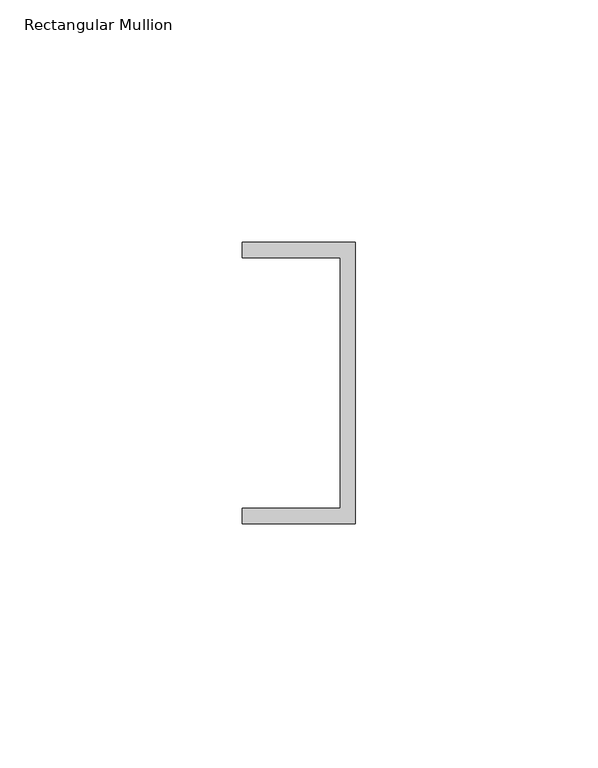
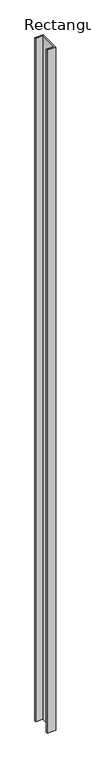
"""IFC4 building model written with IfcOpenShell, lengths in millimetres: member geometry, Rectangular Mullion."""

from ifc_helpers import new_model, si_unit, frame, origin, place, context, project, spatial, polyline, outline, extrude, source, transform, mapped, element, save


def rectangular_mullion_3d77bba8(model_context):
    return source(origin(), model_context, "Body", "SweptSolid", [
        extrude(outline(polyline([(0.0, 29.0214844), (0.0, -29.0214844), (-23.3164063, -29.0214844), (-23.3164063, -25.8464844), (-3.175, -25.8464844), (-3.175, 25.8464844), (-23.3164063, 25.8464844), (-23.3164063, 29.0214844), (0.0, 29.0214844)])), frame((0.0, 0.0, -1978.6203125), z_axis=(0.0, 0.0, 1.0), x_axis=(1.0, 0.0, 0.0)), (0.0, 0.0, 1.0), 1978.6203125),
    ])


if __name__ == "__main__":
    model = new_model("IFC4")
    model_context = context("Model", 3, world=origin())
    ifc_project = project(units=[si_unit("LENGTHUNIT", "METRE", prefix="MILLI")], contexts=[model_context])
    site = spatial("IfcSite", under=ifc_project)
    building = spatial("IfcBuilding", under=site)
    placement = place(None, origin())
    rectangular_mullion_shape = rectangular_mullion_3d77bba8(model_context)
    element("IfcMember", 1, ObjectType="Rectangular Mullion", at=placement, inside=building, context=model_context, shape_type="MappedRepresentation", body=[
        mapped(rectangular_mullion_shape, transform((0.0, 0.0, 0.0), x_axis=(1.0, 0.0, 0.0), y_axis=(0.0, 1.0, 0.0), z_axis=(0.0, 0.0, 1.0))),
    ])
    save(model, "model.ifc")
